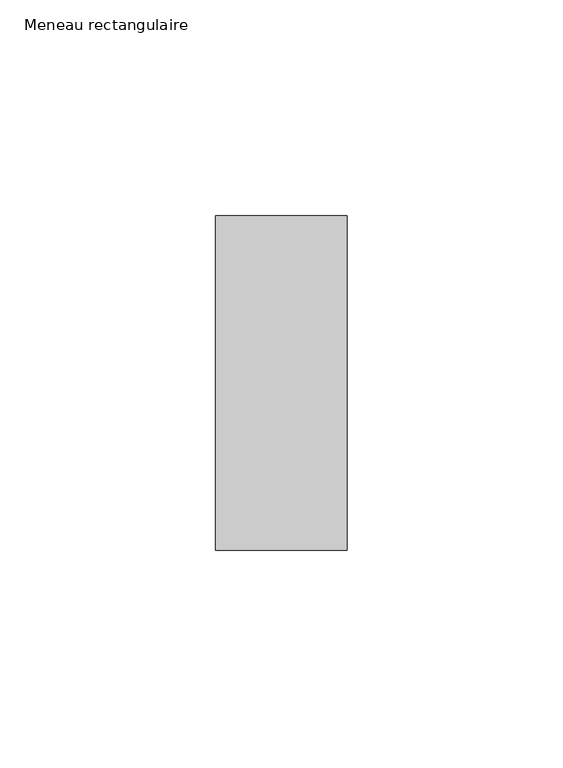
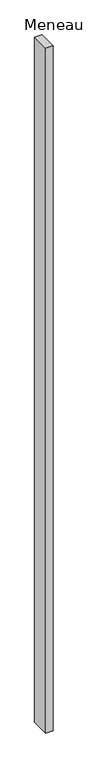
"""IFC4 building model written with IfcOpenShell, lengths in millimetres: member geometry, Meneau rectangulaire."""

from ifc_helpers import new_model, si_unit, frame, origin, place, context, project, spatial, polyline, outline, extrude, source, transform, mapped, element, save


def meneau_rectangulaire_fae0407f(model_context):
    return source(origin(), model_context, "Body", "SweptSolid", [
        extrude(outline(polyline([(-15.25, 38.75), (15.25, 38.75), (15.25, -38.75), (-15.25, -38.75), (-15.25, 38.75)])), frame((0.0, 0.0, -2936.0), z_axis=(0.0, 0.0, 1.0), x_axis=(1.0, 0.0, 0.0)), (0.0, 0.0, 1.0), 2936.0),
    ])


if __name__ == "__main__":
    model = new_model("IFC4")
    model_context = context("Model", 3, world=origin())
    ifc_project = project(units=[si_unit("LENGTHUNIT", "METRE", prefix="MILLI")], contexts=[model_context])
    site = spatial("IfcSite", under=ifc_project)
    building = spatial("IfcBuilding", under=site)
    placement = place(None, origin())
    meneau_rectangulaire_shape = meneau_rectangulaire_fae0407f(model_context)
    element("IfcMember", 1, ObjectType="Meneau rectangulaire", at=placement, inside=building, context=model_context, shape_type="MappedRepresentation", body=[
        mapped(meneau_rectangulaire_shape, transform((0.0, 0.0, 0.0), x_axis=(1.0, 0.0, 0.0), y_axis=(0.0, 1.0, 0.0), z_axis=(0.0, 0.0, 1.0))),
    ])
    save(model, "model.ifc")
